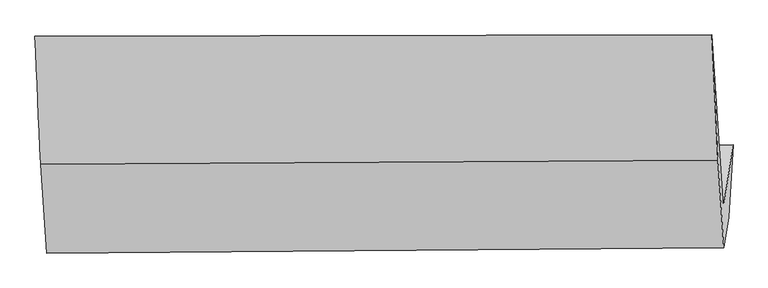
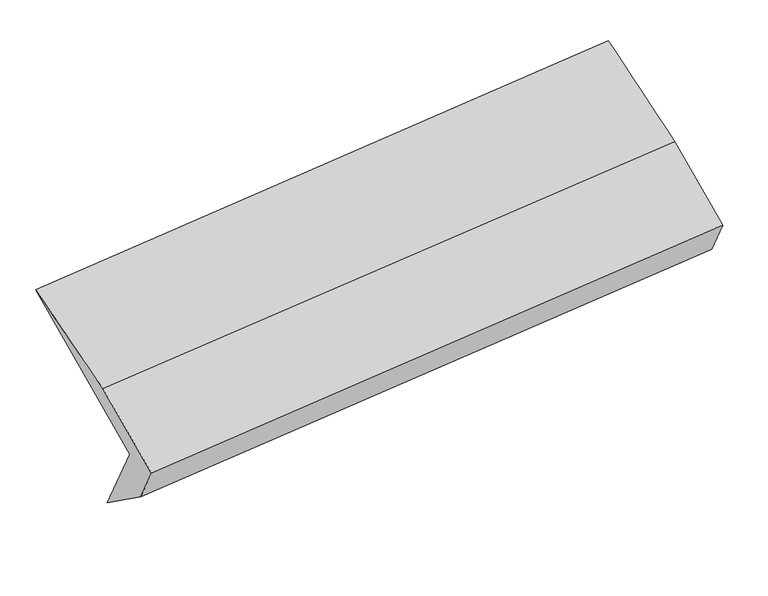
"""IFC4 building model written with IfcOpenShell, lengths in millimetres: proxy geometry."""

from ifc_helpers import new_model, si_unit, frame, origin, place, context, project, spatial, source, transform, mapped, element, save
from ifc_brep_helpers import plane_surface, spline_surface, advanced_brep


def generic_models_d9d200d4(model_context):
    return source(origin(), model_context, "Body", "AdvancedBrep", [
        advanced_brep(
        [(-5032.3546718, -1345.53517, 999.4445508), (-5096.0963122, -1760.5471892, 1676.5355437), (-620.1809262, -1751.0748601, 2156.6561889), (-556.4392858, -1336.062841, 1479.565196), (-5065.3132891, -1854.8454388, 1371.497364), (-586.7711548, -1816.0010467, 1822.8016579), (-5095.6401644, -2052.2990604, 1693.6424166), (-617.8980887, -2018.6637271, 2153.4452758), (-5135.1371363, -1464.4220364, 2050.2539082), (-656.8215744, -1439.3225311, 2504.8788573), (-5172.7469722, -619.6708193, 2368.6014137), (-696.8315862, -610.1984902, 2848.7220588)],
        [
            (0, 1),
            (1, 2),
            (2, 3),
            (3, 0),
            (4, 0),
            (3, 5),
            (5, 4),
            (6, 4),
            (5, 7),
            (7, 6),
            (8, 6),
            (7, 9),
            (9, 8),
            (10, 8),
            (9, 11),
            (11, 10),
            (1, 10),
            (11, 2),
        ],
        [
            plane_surface(frame((-5064.225492, -1553.0411796, 1337.9900473), z_axis=(-0.05734862001206058, 0.8535828058408823, 0.5177910093421081), x_axis=(-0.08000586365494718, -0.5209058757663829, 0.8498565351710157))),
            spline_surface(1, 1, [[(-5065.3132891, -1854.8454388, 1371.497364), (-586.7711548, -1816.0010467, 1822.8016579)], [(-5032.3546718, -1345.53517, 999.4445508), (-556.4392858, -1336.062841, 1479.565196)]], [2, 2], [2, 2], [0.0, 1.0], [0.0, 1.0]),
            plane_surface(frame((-5080.4767268, -1953.5722496, 1532.5698903), z_axis=(0.05955922588932597, -0.8535644561329863, -0.517571654785947), x_axis=(0.08000586365494729, 0.5209058757663829, -0.8498565351710156))),
            plane_surface(frame((-5115.3886503, -1758.3605484, 1871.9481624), z_axis=(-0.08332153031246, -0.5209273486549556, 0.8495247024128892), x_axis=(0.057348620012063374, -0.853582805840876, -0.5177910093421181))),
            spline_surface(1, 1, [[(-5172.7469722, -619.6708193, 2368.6014137), (-696.8315862, -610.1984902, 2848.7220588)], [(-5135.1371363, -1464.4220364, 2050.2539082), (-656.8215744, -1439.3225311, 2504.8788573)]], [2, 2], [2, 2], [0.0, 1.0], [0.0, 1.0]),
            plane_surface(frame((-5134.4216422, -1190.1090042, 2022.5684787), z_axis=(0.08994975684262116, 0.5209529401602451, -0.8488327723305397), x_axis=(-0.057348620012062694, 0.8535828058408799, 0.5177910093421118))),
            plane_surface(frame((-622.490436, -1495.2205827, 2161.0115391), z_axis=(0.9951433050387961, 0.0073117826051083135, 0.09816486271368986), x_axis=(0.057348620012063374, -0.853582805840876, -0.5177910093421181))),
            plane_surface(frame((-5099.548091, -1516.2199524, 1693.3291995), z_axis=(-0.9951433050387961, -0.007311782605110437, -0.09816486271369008), x_axis=(0.08000586365494633, 0.5209058757663836, -0.8498565351710153))),
        ],
        [
            (0, [[1, 2, 3, 4]]),
            (1, [[5, -4, 6, 7]]),
            (2, [[8, -7, 9, 10]]),
            (3, [[11, -10, 12, 13]]),
            (4, [[14, -13, 15, 16]]),
            (5, [[17, -16, 18, -2]]),
            (6, [[-12, -9, -6, -3, -18, -15]]),
            (7, [[-1, -5, -8, -11, -14, -17]]),
        ],
    ),
    ])


if __name__ == "__main__":
    model = new_model("IFC4")
    model_context = context("Model", 3, world=origin())
    ifc_project = project(units=[si_unit("LENGTHUNIT", "METRE", prefix="MILLI")], contexts=[model_context])
    site = spatial("IfcSite", under=ifc_project)
    building = spatial("IfcBuilding", under=site)
    placement = place(None, origin())
    generic_models_shape = generic_models_d9d200d4(model_context)
    element("IfcBuildingElementProxy", 1, Name="Generic Models", at=placement, inside=building, context=model_context, shape_type="MappedRepresentation", body=[
        mapped(generic_models_shape, transform((0.0, 0.0, 0.0), x_axis=(1.0, 0.0, 0.0), y_axis=(0.0, 1.0, 0.0), z_axis=(0.0, 0.0, 1.0))),
    ])
    save(model, "model.ifc")
